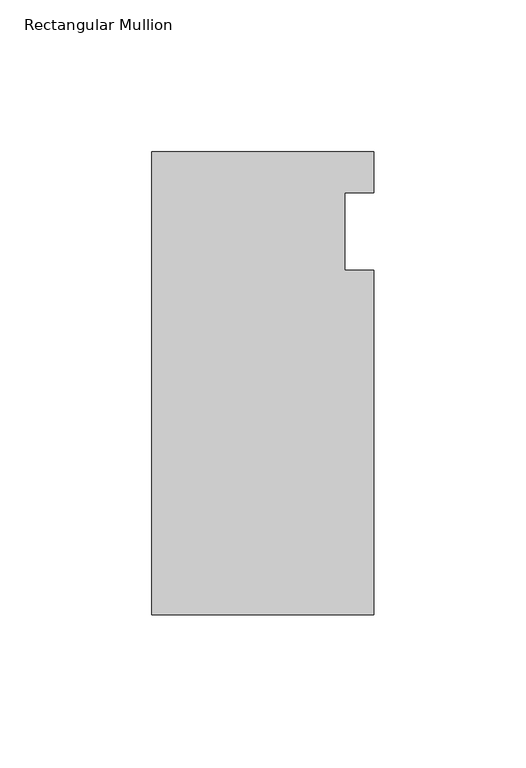
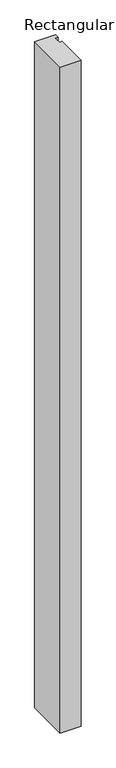
"""IFC4 building model written with IfcOpenShell, lengths in millimetres: member geometry, Rectangular Mullion."""

from ifc_helpers import new_model, si_unit, frame, origin, place, context, project, spatial, polyline, outline, extrude, source, transform, mapped, element, save


def rectangular_mullion_5ce9cd7f(model_context):
    return source(origin(), model_context, "Body", "SweptSolid", [
        extrude(outline(polyline([(-36.5125, 26.19375), (36.5125, 26.19375), (36.5125, 12.7), (26.9875, 12.7), (26.9875, -12.7), (36.5125, -12.7), (36.5125, -126.20625), (-36.5125, -126.20625), (-36.5125, 26.19375)])), frame((0.0, 0.0, -2438.4), z_axis=(0.0, 0.0, 1.0), x_axis=(1.0, 0.0, 0.0)), (0.0, 0.0, 1.0), 2438.4),
    ])


if __name__ == "__main__":
    model = new_model("IFC4")
    model_context = context("Model", 3, world=origin())
    ifc_project = project(units=[si_unit("LENGTHUNIT", "METRE", prefix="MILLI")], contexts=[model_context])
    site = spatial("IfcSite", under=ifc_project)
    building = spatial("IfcBuilding", under=site)
    placement = place(None, origin())
    rectangular_mullion_shape = rectangular_mullion_5ce9cd7f(model_context)
    element("IfcMember", 1, ObjectType="Rectangular Mullion", at=placement, inside=building, context=model_context, shape_type="MappedRepresentation", body=[
        mapped(rectangular_mullion_shape, transform((0.0, 0.0, 0.0), x_axis=(1.0, 0.0, 0.0), y_axis=(0.0, 1.0, 0.0), z_axis=(0.0, 0.0, 1.0))),
    ])
    save(model, "model.ifc")
